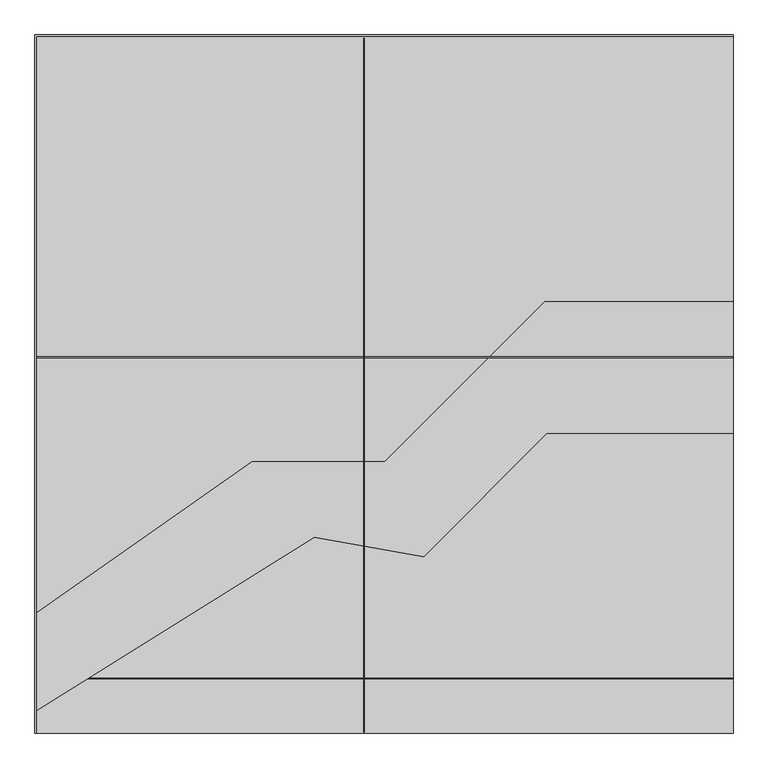
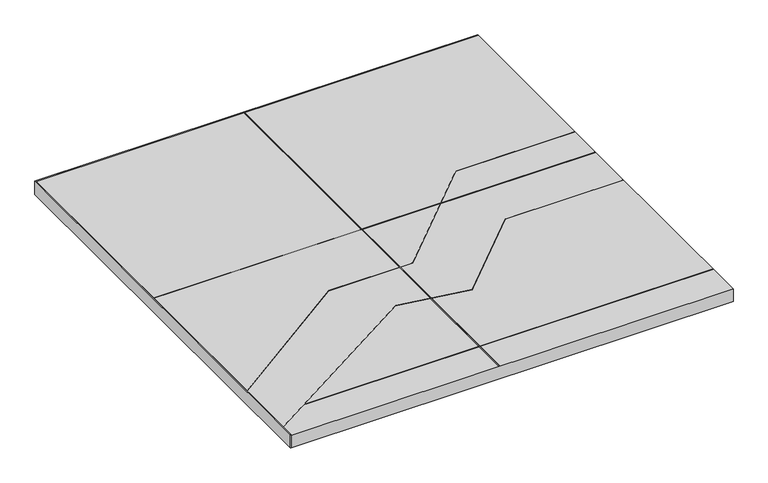
"""IFC4 building model written with IfcOpenShell, lengths in millimetres: proxy geometry."""

from ifc_helpers import new_model, si_unit, frame, origin, origin_with_axes, place, context, project, spatial, polyline, outline, extrude, source, transform, mapped, element, save


def generic_models_1a603ce9(model_context):
    return source(origin(), model_context, "Body", "SweptSolid", [
        extrude(outline(polyline([(-5020.0, -5000.0), (-5020.0, 5020.0), (5000.0, 5020.0), (5000.0, 5000.0), (-5000.0, 5000.0), (-5000.0, -5000.0), (-5020.0, -5000.0)])), origin_with_axes(), (0.0, 0.0, 1.0), 314.059109),
        extrude(outline(polyline([(-290.0, 4975.0), (-290.0, -4985.0), (-300.0, -4985.0), (-300.0, 4975.0), (-290.0, 4975.0)])), origin_with_axes(), (0.0, 0.0, 1.0), 314.059109),
        extrude(outline(polyline([(-305.0, 390.0), (-4995.0, 390.0), (-4995.0, 400.0), (-305.0, 400.0), (-305.0, 390.0)])), origin_with_axes(), (0.0, 0.0, 1.0), 314.059109),
        extrude(outline(polyline([(-285.0, 400.0), (4995.0, 400.0), (4995.0, 390.0), (-285.0, 390.0), (-285.0, 400.0)])), origin_with_axes(), (0.0, 0.0, 1.0), 314.059109),
        extrude(outline(polyline([(5000.0, 5000.0), (5000.0, 1200.0), (2300.0, 1200.0), (0.0, -1100.0), (-1900.0, -1100.0), (-5000.0, -3270.6433685), (-5000.0, 5000.0), (5000.0, 5000.0)]), holes=[polyline([(-300.0, 4975.0), (-300.0, -1095.0), (-290.0, -1095.0), (-290.0, 4975.0), (-300.0, 4975.0)]), polyline([(-305.0, 400.0), (-4995.0, 400.0), (-4995.0, 390.0), (-305.0, 390.0), (-305.0, 400.0)]), polyline([(1487.2731588, 400.0), (-285.0, 400.0), (-285.0, 390.0), (1487.2731588, 390.0), (1487.2731588, 400.0)])]), frame((0.0, 0.0, 306.050408), z_axis=(0.0, 0.0, 1.0), x_axis=(1.0, 0.0, 0.0)), (0.0, 0.0, 1.0), 8.008701),
        extrude(outline(polyline([(-5000.0, 5000.0), (5000.0, 5000.0), (5000.0, -698.1292458), (2329.2854097, -698.1292458), (561.5184568, -2465.8961988), (-1014.1739481, -2188.0591145), (-5000.0, -4678.6796564), (-5000.0, 5000.0)]), holes=[polyline([(-300.0, 4975.0), (-300.0, -2310.0), (-290.0, -2310.0), (-290.0, 4975.0), (-300.0, 4975.0)]), polyline([(-305.0, 390.0), (-305.0, 400.0), (-4995.0, 400.0), (-4995.0, 390.0), (-305.0, 390.0)]), polyline([(-285.0, 400.0), (-285.0, 390.0), (4995.0, 390.0), (4995.0, 400.0), (-285.0, 400.0)])]), frame((0.0, 0.0, 300.0), z_axis=(0.0, 0.0, 1.0), x_axis=(1.0, 0.0, 0.0)), (0.0, 0.0, 1.0), 6.050408),
        extrude(outline(polyline([(5000.0, 5000.0), (5000.0, -5000.0), (-5000.0, -5000.0), (-5000.0, 5000.0), (5000.0, 5000.0)]), holes=[polyline([(-305.0, 400.0), (-4995.0, 400.0), (-4995.0, 390.0), (-305.0, 390.0), (-305.0, 400.0)]), polyline([(-300.0, -4985.0), (-290.0, -4985.0), (-290.0, 4975.0), (-300.0, 4975.0), (-300.0, -4985.0)]), polyline([(-285.0, 390.0), (4995.0, 390.0), (4995.0, 400.0), (-285.0, 400.0), (-285.0, 390.0)]), polyline([(-305.0, -4210.0), (-4995.0, -4210.0), (-4995.0, -4220.0), (-305.0, -4220.0), (-305.0, -4210.0)]), polyline([(-285.0, -4220.0), (4995.0, -4220.0), (4995.0, -4210.0), (-285.0, -4210.0), (-285.0, -4220.0)])]), origin_with_axes(), (0.0, 0.0, 1.0), 300.0),
    ])


if __name__ == "__main__":
    model = new_model("IFC4")
    model_context = context("Model", 3, world=origin())
    ifc_project = project(units=[si_unit("LENGTHUNIT", "METRE", prefix="MILLI")], contexts=[model_context])
    site = spatial("IfcSite", under=ifc_project)
    building = spatial("IfcBuilding", under=site)
    placement = place(None, origin())
    generic_models_shape = generic_models_1a603ce9(model_context)
    element("IfcBuildingElementProxy", 1, Name="Generic Models", at=placement, inside=building, context=model_context, shape_type="MappedRepresentation", body=[
        mapped(generic_models_shape, transform((0.0, 0.0, 0.0), x_axis=(1.0, 0.0, 0.0), y_axis=(0.0, 1.0, 0.0), z_axis=(0.0, 0.0, 1.0))),
    ])
    save(model, "model.ifc")
